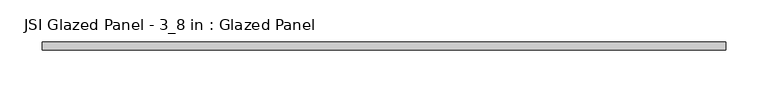
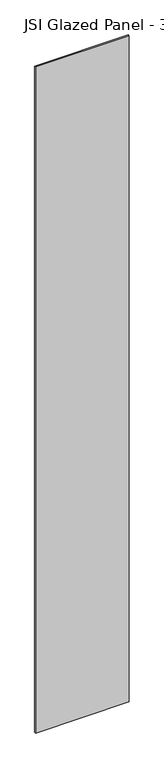
"""IFC4 building model written with IfcOpenShell, lengths in millimetres: plate geometry, JSI Glazed Panel - 3_8 in : Glazed Panel."""

from ifc_helpers import new_model, si_unit, origin, origin_with_axes, place, context, project, spatial, polyline, outline, extrude, source, transform, mapped, element, save


def jsi_glazed_panel_3_8_in_glazed_panel_3d79b19b(model_context):
    return source(origin(), model_context, "Body", "SweptSolid", [
        extrude(outline(polyline([(406.4, -4.7625), (-406.4, -4.7625), (-406.4, 4.7625), (406.4, 4.7625), (406.4, -4.7625)])), origin_with_axes(), (0.0, 0.0, 1.0), 6096.0),
    ])


if __name__ == "__main__":
    model = new_model("IFC4")
    model_context = context("Model", 3, world=origin())
    ifc_project = project(units=[si_unit("LENGTHUNIT", "METRE", prefix="MILLI")], contexts=[model_context])
    site = spatial("IfcSite", under=ifc_project)
    building = spatial("IfcBuilding", under=site)
    placement = place(None, origin())
    jsi_glazed_panel_3_8_in_glazed_panel_shape = jsi_glazed_panel_3_8_in_glazed_panel_3d79b19b(model_context)
    element("IfcPlate", 1, ObjectType="JSI Glazed Panel - 3_8 in : Glazed Panel", at=placement, inside=building, context=model_context, shape_type="MappedRepresentation", body=[
        mapped(jsi_glazed_panel_3_8_in_glazed_panel_shape, transform((0.0, 0.0, 0.0), x_axis=(1.0, 0.0, 0.0), y_axis=(0.0, 1.0, 0.0), z_axis=(0.0, 0.0, 1.0))),
    ])
    save(model, "model.ifc")
